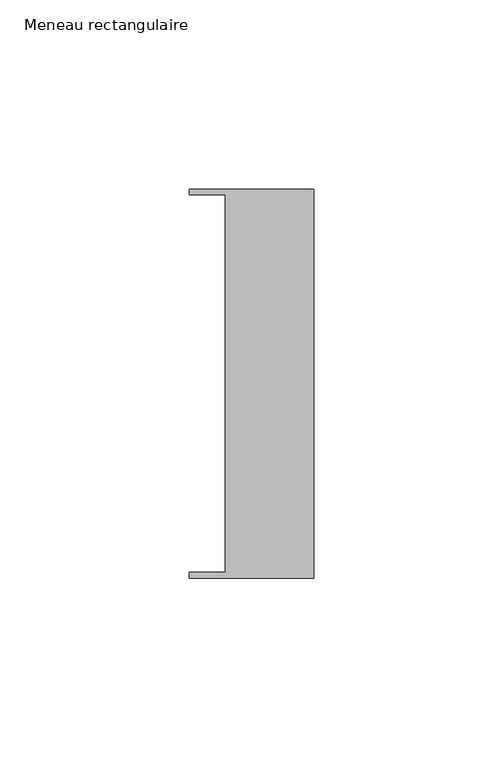
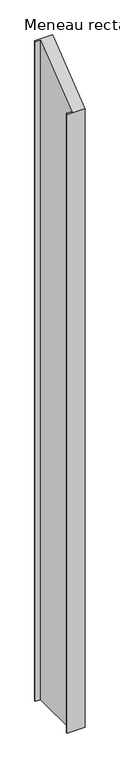
"""IFC4 building model written with IfcOpenShell, lengths in millimetres: member geometry, Meneau rectangulaire."""

from ifc_helpers import new_model, si_unit, origin, place, context, project, spatial, faceted_brep, source, transform, mapped, element, save


def meneau_rectangulaire_51f2ec89(model_context):
    return source(origin(), model_context, "Body", "Brep", [
        faceted_brep([(-33.0, 51.4622428, -1238.1500003), (0.0, 51.4622428, -1238.1500003), (0.0, -51.4712299, -1238.1500003), (-33.0, -51.4712299, -1238.1500003), (-33.0, -49.9505712, -1238.1500003), (-23.4, -49.9505712, -1238.1500003), (-23.4, 49.9614402, -1238.1500003), (-33.0, 49.9614402, -1238.1500003), (-23.4, -49.9505712, -38.9474223), (-23.4, 49.9614402, 38.9558971), (0.0, -51.4712299, -40.1331091), (-33.0, -51.4712299, -40.1331091), (0.0, 51.4622428, 40.1261017), (-33.0, 51.4622428, 40.1261017), (-33.0, 49.9614402, 38.9558971), (-33.0, -49.9505712, -38.9474223)], [[[0, 1, 2, 3, 4, 5, 6, 7]], [[8, 9, 6, 5]], [[10, 11, 3, 2]], [[12, 10, 2, 1]], [[13, 12, 1, 0]], [[14, 13, 0, 7]], [[9, 14, 7, 6]], [[15, 8, 5, 4]], [[11, 15, 4, 3]], [[13, 14, 9, 8, 15, 11, 10, 12]]]),
    ])


if __name__ == "__main__":
    model = new_model("IFC4")
    model_context = context("Model", 3, world=origin())
    ifc_project = project(units=[si_unit("LENGTHUNIT", "METRE", prefix="MILLI")], contexts=[model_context])
    site = spatial("IfcSite", under=ifc_project)
    building = spatial("IfcBuilding", under=site)
    placement = place(None, origin())
    meneau_rectangulaire_shape = meneau_rectangulaire_51f2ec89(model_context)
    element("IfcMember", 1, ObjectType="Meneau rectangulaire", at=placement, inside=building, context=model_context, shape_type="MappedRepresentation", body=[
        mapped(meneau_rectangulaire_shape, transform((0.0, 0.0, 0.0), x_axis=(1.0, 0.0, 0.0), y_axis=(0.0, 1.0, 0.0), z_axis=(0.0, 0.0, 1.0))),
    ])
    save(model, "model.ifc")
